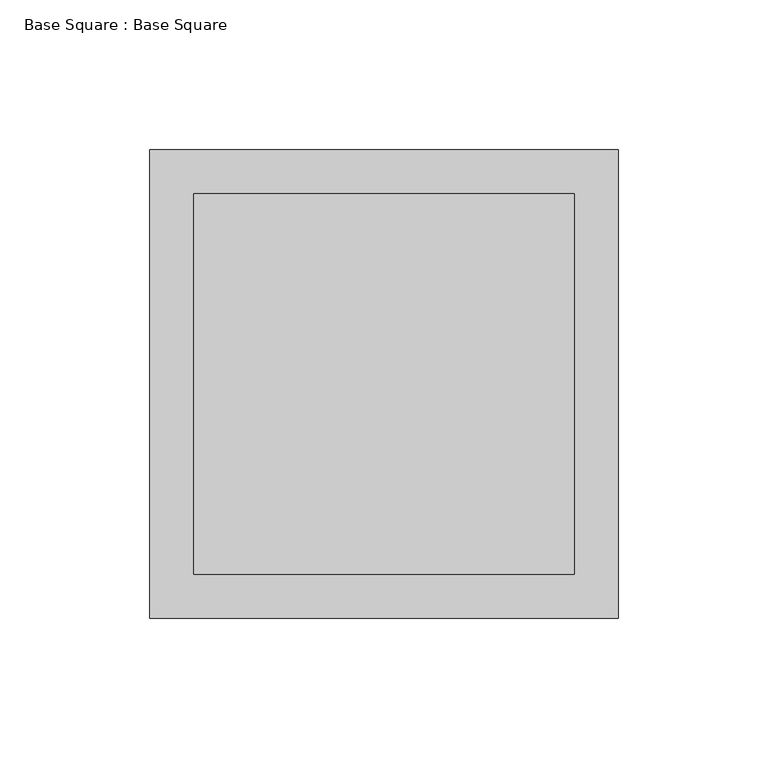
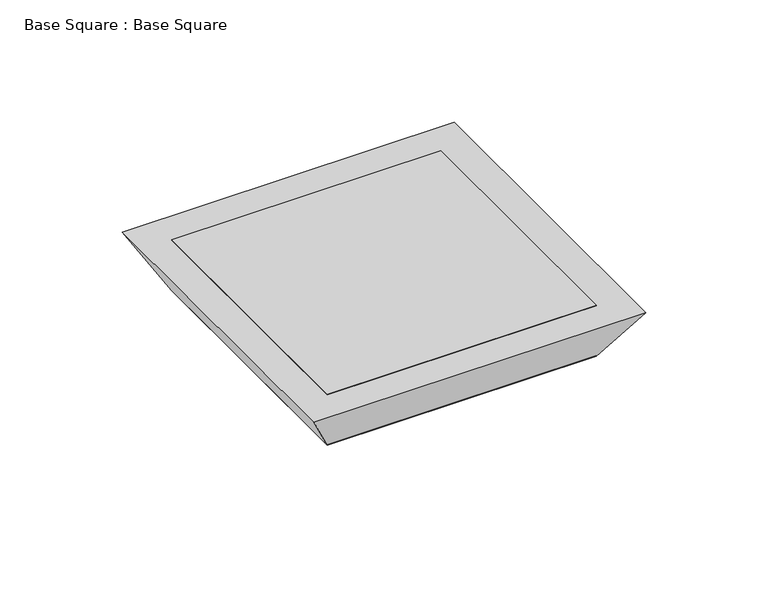
"""IFC4 building model written with IfcOpenShell, lengths in millimetres: furniture geometry, Base Square : Base Square."""

from ifc_helpers import new_model, si_unit, origin, origin_with_axes, place, context, project, spatial, polyline, outline, extrude, faceted_brep, source, transform, mapped, element, save


def base_square_base_square_864d0309(model_context):
    return source(origin(), model_context, "Body", "SolidModel", [
        extrude(outline(polyline([(63.5, 63.5), (63.5, -63.5), (-63.5, -63.5), (-63.5, 63.5), (63.5, 63.5)])), origin_with_axes(), (0.0, 0.0, 1.0), 25.4),
        faceted_brep([(-63.5, -63.5, 0.0), (63.5, -63.5, 0.0), (78.1646968, -78.1646968, 25.4), (-78.1646968, -78.1646968, 25.4), (-63.5, -63.5, 25.4), (63.5, -63.5, 25.4), (63.5, 63.5, 0.0), (78.1646968, 78.1646968, 25.4), (63.5, 63.5, 25.4), (-63.5, 63.5, 0.0), (-78.1646968, 78.1646968, 25.4), (-63.5, 63.5, 25.4)], [[[0, 1, 2, 3]], [[4, 5, 1, 0]], [[1, 6, 7, 2]], [[5, 8, 6, 1]], [[6, 9, 10, 7]], [[8, 11, 9, 6]], [[9, 0, 3, 10]], [[11, 4, 0, 9]], [[3, 2, 7, 10], [5, 4, 11, 8]]]),
    ])


if __name__ == "__main__":
    model = new_model("IFC4")
    model_context = context("Model", 3, world=origin())
    ifc_project = project(units=[si_unit("LENGTHUNIT", "METRE", prefix="MILLI")], contexts=[model_context])
    site = spatial("IfcSite", under=ifc_project)
    building = spatial("IfcBuilding", under=site)
    placement = place(None, origin())
    base_square_base_square_shape = base_square_base_square_864d0309(model_context)
    element("IfcFurniture", 1, ObjectType="Base Square : Base Square", at=placement, inside=building, context=model_context, shape_type="MappedRepresentation", body=[
        mapped(base_square_base_square_shape, transform((0.0, 0.0, 0.0), x_axis=(1.0, 0.0, 0.0), y_axis=(0.0, 1.0, 0.0), z_axis=(0.0, 0.0, 1.0))),
    ])
    save(model, "model.ifc")
